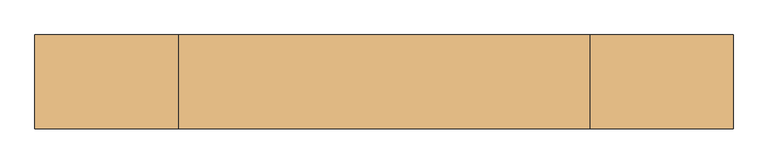
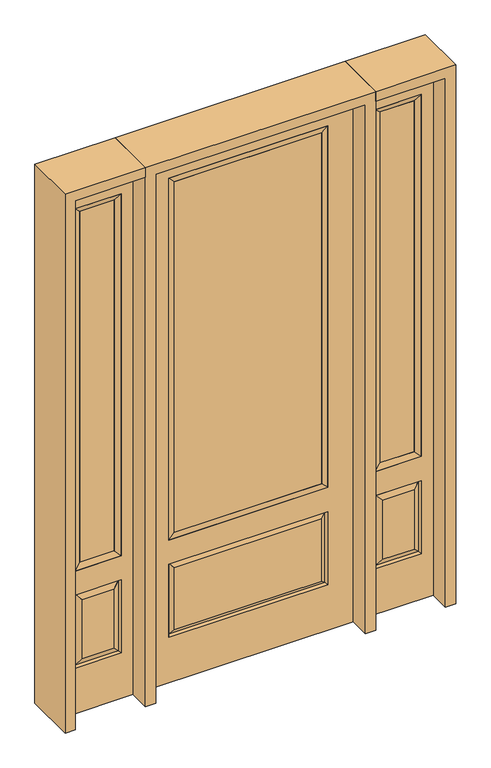
"""IFC4 building model written with IfcOpenShell, lengths in millimetres: door geometry."""

from ifc_helpers import new_model, si_unit, frame, origin, place, context, project, spatial, polyline, outline, extrude, faceted_brep, source, transform, mapped, element, save


def door_2c603387(model_context):
    return source(origin(), model_context, "Body", "SolidModel", [
        faceted_brep([(501.65, -22.225, 0.0), (806.45, -22.225, 0.0), (806.45, -22.225, 2438.4), (501.65, -22.225, 2438.4), (754.38, -22.225, 2325.624), (754.38, -22.225, 657.098), (553.72, -22.225, 657.098), (553.72, -22.225, 2325.624), (754.38, -22.225, 209.55), (553.72, -22.225, 209.55), (553.72, -22.225, 546.1), (754.38, -22.225, 546.1), (585.4351001, -22.225, 241.2651001), (722.6648999, -22.225, 241.2651001), (722.6648999, -22.225, 514.3848999), (585.4351001, -22.225, 514.3848999), (501.65, 22.225, 0.0), (501.65, 22.225, 2438.4), (806.45, 22.225, 2438.4), (806.45, 22.225, 0.0), (754.38, 22.225, 2325.624), (553.72, 22.225, 2325.624), (553.72, 22.225, 657.098), (754.38, 22.225, 657.098), (553.72, 22.225, 209.55), (754.38, 22.225, 209.55), (754.38, 22.225, 546.1), (553.72, 22.225, 546.1), (722.6648999, 22.225, 241.2651001), (585.4351001, 22.225, 241.2651001), (585.4351001, 22.225, 514.3848999), (722.6648999, 22.225, 514.3848999), (747.2711499, 12.7912373, 216.6588501), (560.8288501, 12.7912373, 216.6588501), (560.8288501, 12.7912373, 538.9911499), (747.2711499, 12.7912373, 538.9911499), (560.8288501, -12.7912373, 216.6588501), (747.2711499, -12.7912373, 216.6588501), (560.8288501, -12.7912373, 538.9911499), (747.2711499, -12.7912373, 538.9911499)], [[[0, 1, 2, 3], [4, 5, 6, 7], [8, 9, 10, 11]], [[12, 13, 14, 15]], [[16, 17, 18, 19], [20, 21, 22, 23], [24, 25, 26, 27]], [[28, 29, 30, 31]], [[1, 0, 16, 19]], [[2, 1, 19, 18]], [[3, 2, 18, 17]], [[0, 3, 17, 16]], [[5, 4, 20, 23]], [[6, 5, 23, 22]], [[7, 6, 22, 21]], [[4, 7, 21, 20]], [[32, 33, 29, 28]], [[33, 32, 25, 24]], [[29, 33, 34, 30]], [[33, 24, 27, 34]], [[30, 34, 35, 31]], [[34, 27, 26, 35]], [[32, 28, 31, 35]], [[25, 32, 35, 26]], [[12, 36, 37, 13]], [[37, 36, 9, 8]], [[36, 12, 15, 38]], [[9, 36, 38, 10]], [[38, 15, 14, 39]], [[10, 38, 39, 11]], [[13, 37, 39, 14]], [[37, 8, 11, 39]]]),
        faceted_brep([(553.72, 22.225, 2325.624), (553.72, -22.225, 2325.624), (754.38, -22.225, 2325.624), (754.38, 22.225, 2325.624), (579.12, 12.7, 2300.224), (728.98, 12.7, 2300.224), (579.12, -12.7, 2300.224), (728.98, -12.7, 2300.224), (754.38, -22.225, 657.098), (754.38, 22.225, 657.098), (728.98, 12.7, 682.498), (728.98, -12.7, 682.498), (553.72, -22.225, 657.098), (553.72, 22.225, 657.098), (579.12, 12.7, 682.498), (579.12, -12.7, 682.498)], [[[0, 1, 2, 3]], [[4, 0, 3, 5]], [[6, 4, 5, 7]], [[1, 6, 7, 2]], [[3, 2, 8, 9]], [[5, 3, 9, 10]], [[7, 5, 10, 11]], [[2, 7, 11, 8]], [[9, 8, 12, 13]], [[10, 9, 13, 14]], [[11, 10, 14, 15]], [[8, 11, 15, 12]], [[13, 12, 1, 0]], [[14, 13, 0, 4]], [[15, 14, 4, 6]], [[12, 15, 6, 1]]]),
        extrude(outline(polyline([(728.98, -12.7), (579.12, -12.7), (579.12, 12.7), (728.98, 12.7), (728.98, -12.7)])), frame((0.0, 0.0, 682.498), z_axis=(0.0, 0.0, 1.0), x_axis=(1.0, 0.0, 0.0)), (0.0, 0.0, 1.0), 1617.726),
        faceted_brep([(-806.45, -22.225, 0.0), (-501.65, -22.225, 0.0), (-501.65, -22.225, 2438.4), (-806.45, -22.225, 2438.4), (-553.72, -22.225, 2325.624), (-553.72, -22.225, 657.098), (-754.38, -22.225, 657.098), (-754.38, -22.225, 2325.624), (-553.72, -22.225, 209.55), (-754.38, -22.225, 209.55), (-754.38, -22.225, 546.1), (-553.72, -22.225, 546.1), (-722.6648999, -22.225, 241.2651001), (-585.4351001, -22.225, 241.2651001), (-585.4351001, -22.225, 514.3848999), (-722.6648999, -22.225, 514.3848999), (-806.45, 22.225, 0.0), (-806.45, 22.225, 2438.4), (-501.65, 22.225, 2438.4), (-501.65, 22.225, 0.0), (-553.72, 22.225, 2325.624), (-754.38, 22.225, 2325.624), (-754.38, 22.225, 657.098), (-553.72, 22.225, 657.098), (-754.38, 22.225, 209.55), (-553.72, 22.225, 209.55), (-553.72, 22.225, 546.1), (-754.38, 22.225, 546.1), (-585.4351001, 22.225, 241.2651001), (-722.6648999, 22.225, 241.2651001), (-722.6648999, 22.225, 514.3848999), (-585.4351001, 22.225, 514.3848999), (-560.8288501, 12.7912373, 216.6588501), (-747.2711499, 12.7912373, 216.6588501), (-747.2711499, 12.7912373, 538.9911499), (-560.8288501, 12.7912373, 538.9911499), (-747.2711499, -12.7912373, 216.6588501), (-560.8288501, -12.7912373, 216.6588501), (-747.2711499, -12.7912373, 538.9911499), (-560.8288501, -12.7912373, 538.9911499)], [[[0, 1, 2, 3], [4, 5, 6, 7], [8, 9, 10, 11]], [[12, 13, 14, 15]], [[16, 17, 18, 19], [20, 21, 22, 23], [24, 25, 26, 27]], [[28, 29, 30, 31]], [[1, 0, 16, 19]], [[2, 1, 19, 18]], [[3, 2, 18, 17]], [[0, 3, 17, 16]], [[5, 4, 20, 23]], [[6, 5, 23, 22]], [[7, 6, 22, 21]], [[4, 7, 21, 20]], [[32, 33, 29, 28]], [[33, 32, 25, 24]], [[29, 33, 34, 30]], [[33, 24, 27, 34]], [[30, 34, 35, 31]], [[34, 27, 26, 35]], [[32, 28, 31, 35]], [[25, 32, 35, 26]], [[12, 36, 37, 13]], [[37, 36, 9, 8]], [[36, 12, 15, 38]], [[9, 36, 38, 10]], [[38, 15, 14, 39]], [[10, 38, 39, 11]], [[13, 37, 39, 14]], [[37, 8, 11, 39]]]),
        faceted_brep([(-754.38, 22.225, 2325.624), (-754.38, -22.225, 2325.624), (-553.72, -22.225, 2325.624), (-553.72, 22.225, 2325.624), (-728.98, 12.7, 2300.224), (-579.12, 12.7, 2300.224), (-728.98, -12.7, 2300.224), (-579.12, -12.7, 2300.224), (-553.72, -22.225, 657.098), (-553.72, 22.225, 657.098), (-579.12, 12.7, 682.498), (-579.12, -12.7, 682.498), (-754.38, -22.225, 657.098), (-754.38, 22.225, 657.098), (-728.98, 12.7, 682.498), (-728.98, -12.7, 682.498)], [[[0, 1, 2, 3]], [[4, 0, 3, 5]], [[6, 4, 5, 7]], [[1, 6, 7, 2]], [[3, 2, 8, 9]], [[5, 3, 9, 10]], [[7, 5, 10, 11]], [[2, 7, 11, 8]], [[9, 8, 12, 13]], [[10, 9, 13, 14]], [[11, 10, 14, 15]], [[8, 11, 15, 12]], [[13, 12, 1, 0]], [[14, 13, 0, 4]], [[15, 14, 4, 6]], [[12, 15, 6, 1]]]),
        extrude(outline(polyline([(-579.12, -12.7), (-728.98, -12.7), (-728.98, 12.7), (-579.12, 12.7), (-579.12, -12.7)])), frame((0.0, 0.0, 682.498), z_axis=(0.0, 0.0, 1.0), x_axis=(1.0, 0.0, 0.0)), (0.0, 0.0, 1.0), 1617.726),
        extrude(outline(polyline([(320.675, -20.32), (-320.675, -20.32), (-320.675, 5.08), (320.675, 5.08), (320.675, -20.32)])), frame((0.0, 0.0, 682.498), z_axis=(0.0, 0.0, 1.0), x_axis=(1.0, 0.0, 0.0)), (0.0, 0.0, 1.0), 1616.202),
        faceted_brep([(-338.9661499, -12.7912373, 216.6588501), (338.9661499, -12.7912373, 216.6588501), (321.46875, -22.225, 234.15625), (-321.46875, -22.225, 234.15625), (-346.075, -22.225, 209.55), (346.075, -22.225, 209.55), (-338.9661499, -12.7912373, 538.9911499), (-346.075, -22.225, 546.1), (321.46875, -22.225, 521.49375), (-321.46875, -22.225, 521.49375), (457.2, -22.225, 2438.4), (-457.2, -22.225, 2438.4), (-457.2, -22.225, 0.0), (457.2, -22.225, 0.0), (346.075, -22.225, 546.1), (346.075, -22.225, 2324.1), (346.075, -22.225, 657.098), (-346.075, -22.225, 657.098), (-346.075, -22.225, 2324.1), (338.9661499, -12.7912373, 538.9911499), (-457.2, 22.225, 2438.4), (-457.2, 22.225, 0.0), (457.2, 22.225, 0.0), (457.2, 22.225, 2438.4), (346.075, 22.225, 2324.1), (346.075, 22.225, 657.098), (-346.075, 22.225, 657.098), (-346.075, 22.225, 2324.1), (-346.075, 22.225, 209.55), (346.075, 22.225, 209.55), (346.075, 22.225, 546.1), (-346.075, 22.225, 546.1), (321.46875, 22.225, 234.15625), (-321.46875, 22.225, 234.15625), (-321.46875, 22.225, 521.49375), (321.46875, 22.225, 521.49375), (-338.9661499, 12.7912373, 216.6588501), (338.9661499, 12.7912373, 216.6588501), (338.9661499, 12.7912373, 538.9911499), (-338.9661499, 12.7912373, 538.9911499)], [[[0, 1, 2, 3]], [[1, 0, 4, 5]], [[4, 0, 6, 7]], [[3, 2, 8, 9]], [[10, 11, 12, 13], [5, 4, 7, 14], [15, 16, 17, 18]], [[1, 5, 14, 19]], [[2, 1, 19, 8]], [[0, 3, 9, 6]], [[7, 6, 19, 14]], [[6, 9, 8, 19]], [[12, 11, 20, 21]], [[13, 12, 21, 22]], [[10, 13, 22, 23]], [[16, 15, 24, 25]], [[17, 16, 25, 26]], [[18, 17, 26, 27]], [[23, 22, 21, 20], [28, 29, 30, 31], [24, 27, 26, 25]], [[32, 33, 34, 35]], [[28, 36, 37, 29]], [[29, 37, 38, 30]], [[39, 31, 30, 38]], [[36, 28, 31, 39]], [[37, 36, 33, 32]], [[33, 36, 39, 34]], [[34, 39, 38, 35]], [[37, 32, 35, 38]], [[11, 10, 23, 20]], [[15, 18, 27, 24]]]),
        faceted_brep([(-346.075, -22.225, 2324.1), (-346.075, 22.225, 2324.1), (-346.075, 22.225, 657.098), (-346.075, -22.225, 657.098), (346.075, 22.225, 657.098), (346.075, -22.225, 657.098), (-320.675, 5.08, 682.498), (320.675, 5.08, 682.498), (346.075, 22.225, 2324.1), (346.075, -22.225, 2324.1), (-320.675, -20.32, 682.498), (320.675, -20.32, 682.498), (-320.675, -20.32, 2298.7), (320.675, -20.32, 2298.7), (-320.675, 5.08, 2298.7), (320.675, 5.08, 2298.7)], [[[0, 1, 2, 3]], [[3, 2, 4, 5]], [[2, 6, 7, 4]], [[5, 4, 8, 9]], [[10, 3, 5, 11]], [[12, 0, 3, 10]], [[11, 5, 9, 13]], [[6, 10, 11, 7]], [[14, 12, 10, 6]], [[7, 11, 13, 15]], [[1, 14, 6, 2]], [[4, 7, 15, 8]], [[9, 8, 1, 0]], [[13, 9, 0, 12]], [[15, 13, 12, 14]], [[8, 15, 14, 1]]]),
        extrude(outline(polyline([(2438.4, -501.65), (2482.85, -501.65), (2482.85, -850.9), (0.0, -850.9), (0.0, -806.45), (2438.4, -806.45), (2438.4, -501.65)])), frame((0.0, -114.3, 0.0), z_axis=(0.0, 1.0, 0.0), x_axis=(0.0, 0.0, 1.0)), (0.0, 0.0, 1.0), 228.6),
        extrude(outline(polyline([(2482.85, -501.65), (0.0, -501.65), (0.0, -457.2), (2438.4, -457.2), (2438.4, 457.2), (0.0, 457.2), (0.0, 501.65), (2482.85, 501.65), (2482.85, -501.65)])), frame((0.0, -114.3, 0.0), z_axis=(0.0, 1.0, 0.0), x_axis=(0.0, 0.0, 1.0)), (0.0, 0.0, 1.0), 228.6),
        extrude(outline(polyline([(0.0, 806.45), (0.0, 850.9), (2482.85, 850.9), (2482.85, 501.65), (2438.4, 501.65), (2438.4, 806.45), (0.0, 806.45)])), frame((0.0, -114.3, 0.0), z_axis=(0.0, 1.0, 0.0), x_axis=(0.0, 0.0, 1.0)), (0.0, 0.0, 1.0), 228.6),
    ])


if __name__ == "__main__":
    model = new_model("IFC4")
    model_context = context("Model", 3, world=origin())
    ifc_project = project(units=[si_unit("LENGTHUNIT", "METRE", prefix="MILLI")], contexts=[model_context])
    site = spatial("IfcSite", under=ifc_project)
    building = spatial("IfcBuilding", under=site)
    placement = place(None, origin())
    door_shape = door_2c603387(model_context)
    element("IfcDoor", 1, at=placement, inside=building, context=model_context, shape_type="MappedRepresentation", body=[
        mapped(door_shape, transform((0.0, 0.0, 0.0), x_axis=(1.0, 0.0, 0.0), y_axis=(0.0, 1.0, 0.0), z_axis=(0.0, 0.0, 1.0))),
    ])
    save(model, "model.ifc")
